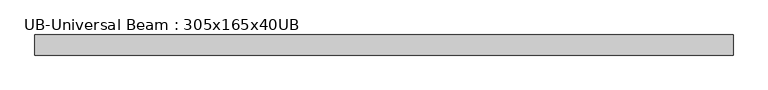
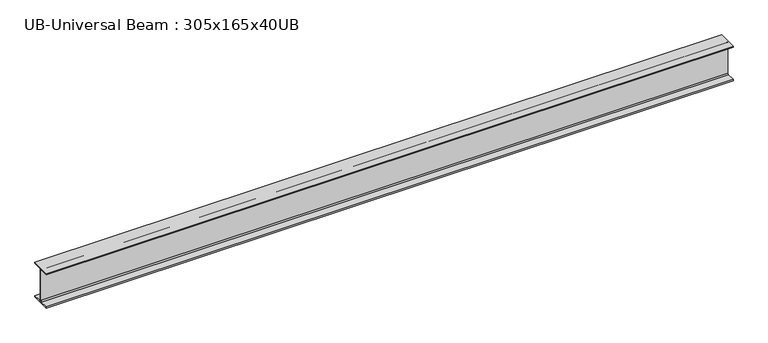
"""IFC4 building model written with IfcOpenShell, lengths in millimetres: beam geometry, UB-Universal Beam : 305x165x40UB."""

from ifc_helpers import new_model, si_unit, point, frame, frame_2d, origin, place, context, project, spatial, polyline, circle_curve, trimmed, segment, composite_curve, outline, extrude, source, transform, mapped, element, save


def ub_universal_beam_305x165x40ub_21297f94(model_context):
    return source(origin(), model_context, "Body", "SweptSolid", [
        extrude(outline(composite_curve([segment(polyline([(82.5, -141.5), (82.5, -151.7), (-82.5, -151.7), (-82.5, -141.5), (-11.9, -141.5)]), True, "CONTINUOUS"), segment(trimmed(circle_curve(frame_2d((-11.9, -132.6)), 8.9), [point((-11.9, -141.5))], [point((-3.0, -132.6))], True, "CARTESIAN"), True, "CONTINUOUS"), segment(polyline([(-3.0, -132.6), (-3.0, 132.6)]), True, "CONTINUOUS"), segment(trimmed(circle_curve(frame_2d((-11.9, 132.6)), 8.9), [point((-3.0, 132.6))], [point((-11.9, 141.5))], True, "CARTESIAN"), True, "CONTINUOUS"), segment(polyline([(-11.9, 141.5), (-82.5, 141.5), (-82.5, 151.7), (82.5, 151.7), (82.5, 141.5), (11.9, 141.5)]), True, "CONTINUOUS"), segment(trimmed(circle_curve(frame_2d((11.9, 132.6)), 8.9), [point((11.9, 141.5))], [point((3.0, 132.6))], True, "CARTESIAN"), True, "CONTINUOUS"), segment(polyline([(3.0, 132.6), (3.0, -132.6)]), True, "CONTINUOUS"), segment(trimmed(circle_curve(frame_2d((11.9, -132.6)), 8.9), [point((3.0, -132.6))], [point((11.9, -141.5))], True, "CARTESIAN"), True, "CONTINUOUS"), segment(polyline([(11.9, -141.5), (82.5, -141.5)]), True, "CONTINUOUS")], self_intersect=False)), frame((-2866.0321862, 0.0, 0.0), z_axis=(1.0, 0.0, 0.0), x_axis=(0.0, 1.0, 0.0)), (0.0, 0.0, 1.0), 5732.0643724),
    ])


if __name__ == "__main__":
    model = new_model("IFC4")
    model_context = context("Model", 3, world=origin())
    ifc_project = project(units=[si_unit("LENGTHUNIT", "METRE", prefix="MILLI")], contexts=[model_context])
    site = spatial("IfcSite", under=ifc_project)
    building = spatial("IfcBuilding", under=site)
    placement = place(None, origin())
    ub_universal_beam_305x165x40ub_shape = ub_universal_beam_305x165x40ub_21297f94(model_context)
    element("IfcBeam", 1, ObjectType="UB-Universal Beam : 305x165x40UB", at=placement, inside=building, context=model_context, shape_type="MappedRepresentation", body=[
        mapped(ub_universal_beam_305x165x40ub_shape, transform((0.0, 0.0, 0.0), x_axis=(1.0, 0.0, 0.0), y_axis=(0.0, 1.0, 0.0), z_axis=(0.0, 0.0, 1.0))),
    ])
    save(model, "model.ifc")
